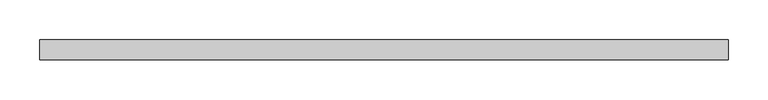
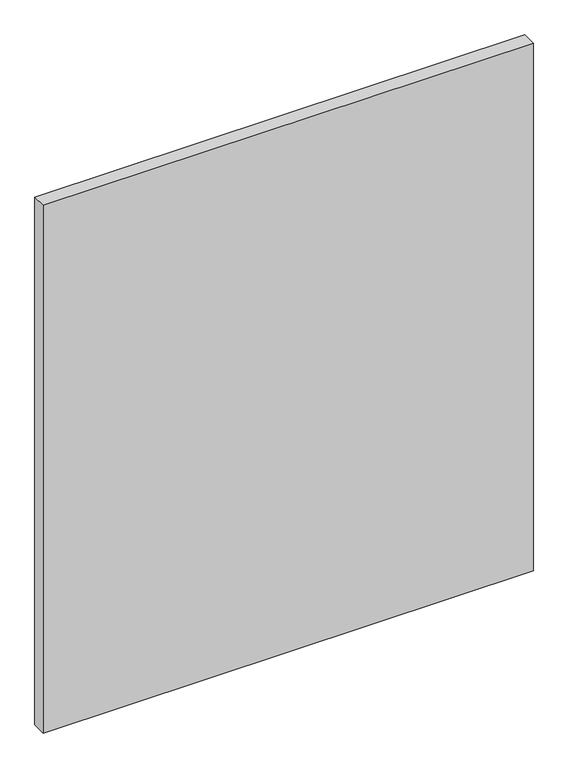
"""IFC4 building model written with IfcOpenShell, lengths in millimetres: plate geometry."""

from ifc_helpers import new_model, si_unit, origin, origin_with_axes, place, context, project, spatial, polyline, outline, extrude, source, transform, mapped, element, save


def plate_3a557917(model_context):
    return source(origin(), model_context, "Body", "SweptSolid", [
        extrude(outline(polyline([(432.9674082, 24.5), (-432.9674082, 24.5), (-432.9674082, 49.5), (432.9674082, 49.5), (432.9674082, 24.5)])), origin_with_axes(), (0.0, 0.0, 1.0), 985.0),
    ])


if __name__ == "__main__":
    model = new_model("IFC4")
    model_context = context("Model", 3, world=origin())
    ifc_project = project(units=[si_unit("LENGTHUNIT", "METRE", prefix="MILLI")], contexts=[model_context])
    site = spatial("IfcSite", under=ifc_project)
    building = spatial("IfcBuilding", under=site)
    placement = place(None, origin())
    plate_shape = plate_3a557917(model_context)
    element("IfcPlate", 1, at=placement, inside=building, context=model_context, shape_type="MappedRepresentation", body=[
        mapped(plate_shape, transform((0.0, 0.0, 0.0), x_axis=(1.0, 0.0, 0.0), y_axis=(0.0, 1.0, 0.0), z_axis=(0.0, 0.0, 1.0))),
    ])
    save(model, "model.ifc")
